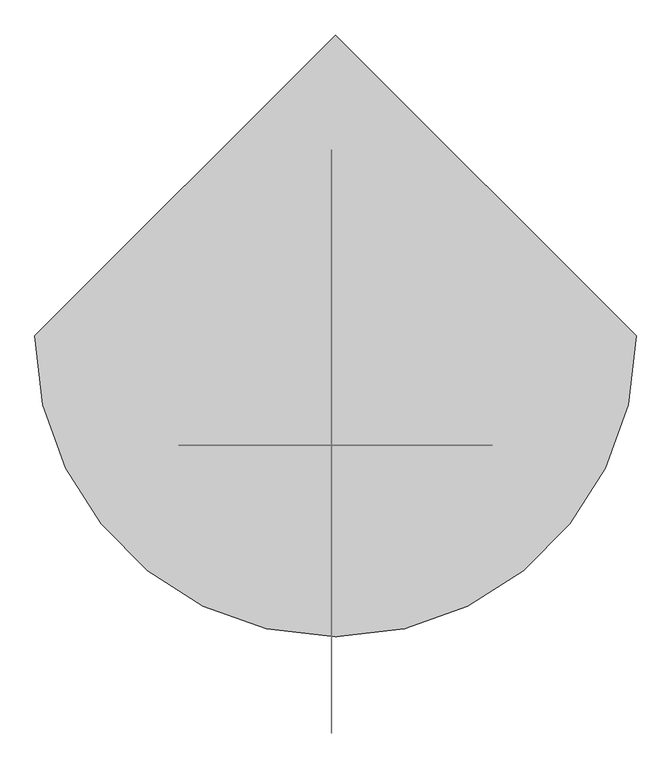
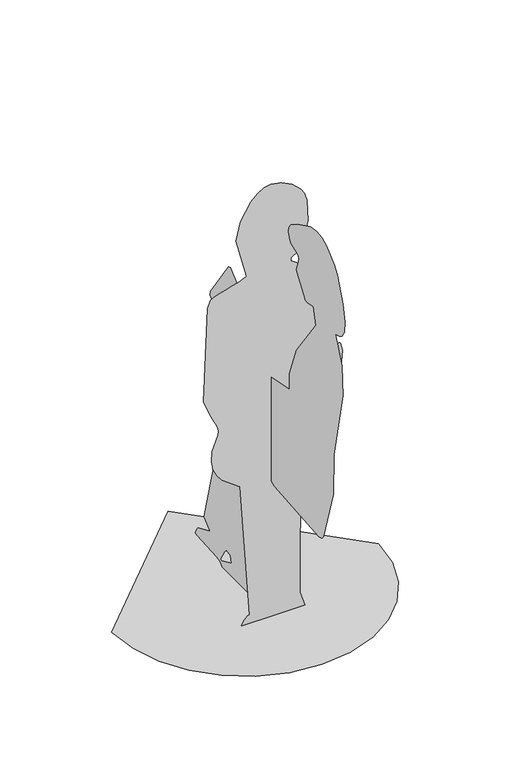
"""IFC4 building model written with IfcOpenShell, lengths in millimetres: proxy geometry."""

import ifcopenshell
import ifcopenshell.guid

model = None  # the IFC model being written
_history = None  # IfcOwnerHistory: only IFC2X3 demands one
_inside = {}  # id of a spatial element -> (the spatial element, [elements in it])
_under = {}  # id of a project, library or spatial element -> (it, [spatial elements below it])
_declared = {}  # id of a project -> (the project, [libraries it declares])
_typed = {}  # id of a type object -> (the type object, [elements of that type])
_made_of = {}  # id of a material, layer set ... -> (it, [elements and type objects made of it])


def new_model(schema):
    """Start an empty IFC model of exactly this schema.

    Asked for "IFC4X3", IfcOpenShell would pick the latest addendum, in which some entities
    have other attributes; the version numbers below select the first issue.
    IFC2X3 requires an IfcOwnerHistory on every rooted entity: one is made here for all.
    """
    global model, _history
    if schema == "IFC4X3":
        model = ifcopenshell.file(schema_version=(4, 3, 0, 0))
    else:
        model = ifcopenshell.file(schema=schema)
    _inside.clear()
    _under.clear()
    _declared.clear()
    _typed.clear()
    _made_of.clear()
    _history = None
    if model.schema == "IFC2X3":
        org = make("IfcOrganization", Name="unknown")
        user = make(
            "IfcPersonAndOrganization",
            ThePerson=make("IfcPerson", FamilyName="unknown"),
            TheOrganization=org,
        )
        app = make(
            "IfcApplication",
            ApplicationDeveloper=org,
            Version="unknown",
            ApplicationFullName="unknown",
            ApplicationIdentifier="unknown",
        )
        _history = make(
            "IfcOwnerHistory",
            OwningUser=user,
            OwningApplication=app,
            ChangeAction="ADDED",
            CreationDate=0,
        )
    return model


def make(cls, **values):
    """One entity of the class cls with the attributes given. An attribute that is None is left unset."""
    return model.create_entity(
        cls, **{name: value for name, value in values.items() if value is not None}
    )


def rooted(cls, **values):
    """An entity with a GlobalId (a new one), such as an element, a storey or a relation."""
    return make(cls, GlobalId=ifcopenshell.guid.new(), OwnerHistory=_history, **values)


def si_unit(unit_type, name, prefix=None):
    """IfcSIUnit, for example si_unit("LENGTHUNIT", "METRE", prefix="MILLI")."""
    return make("IfcSIUnit", UnitType=unit_type, Prefix=prefix, Name=name)


def assignment(units):
    """IfcUnitAssignment: the units of a project."""
    return None if units is None else make("IfcUnitAssignment", Units=units)


def point(xyz):
    """IfcCartesianPoint."""
    return None if xyz is None else make("IfcCartesianPoint", Coordinates=xyz)


def direction(xyz):
    """IfcDirection."""
    return None if xyz is None else make("IfcDirection", DirectionRatios=xyz)


def frame(location, z_axis=None, x_axis=None):
    """IfcAxis2Placement3D, a coordinate frame: its origin and axes. An axis left out is left unset."""
    return make(
        "IfcAxis2Placement3D",
        Location=point(location),
        Axis=direction(z_axis),
        RefDirection=direction(x_axis),
    )


def origin():
    """The frame at (0, 0, 0) with its axes left unset."""
    return frame((0.0, 0.0, 0.0))


def place(relative_to, where):
    """IfcLocalPlacement: puts the frame where relative to a parent placement (None: the world)."""
    return make(
        "IfcLocalPlacement", PlacementRelTo=relative_to, RelativePlacement=where
    )


def context(
    kind, dimensions, precision=None, world=None, true_north=None, identifier=None
):
    """IfcGeometricRepresentationContext, for example the 3D "Model" context."""
    return make(
        "IfcGeometricRepresentationContext",
        ContextIdentifier=identifier,
        ContextType=kind,
        CoordinateSpaceDimension=dimensions,
        Precision=precision,
        WorldCoordinateSystem=world,
        TrueNorth=true_north,
    )


def project(units=None, contexts=None):
    """IfcProject with its units and contexts."""
    return rooted(
        "IfcProject",
        Name="project",
        RepresentationContexts=contexts,
        UnitsInContext=assignment(units),
    )


def spatial(cls, under=None, at=None, **own):
    """A site, building, storey or space (cls), placed at a placement, below another one or the project."""
    s = rooted(cls, ObjectPlacement=at, **own)
    if under is not None:
        _under.setdefault(under.id(), (under, []))[1].append(s)
    return s


def point_list(points):
    """IfcCartesianPointList2D or 3D."""
    cls = (
        "IfcCartesianPointList2D" if len(points[0]) == 2 else "IfcCartesianPointList3D"
    )
    return make(cls, CoordList=points)


def triangles(points, corners, closed=None, point_numbers=None):
    """IfcTriangulatedFaceSet: each triangle names its three corners, points numbered from 1."""
    return make(
        "IfcTriangulatedFaceSet",
        Coordinates=point_list(points),
        Closed=closed,
        CoordIndex=corners,
        PnIndex=point_numbers,
    )


def shape(context_of_items, identifier, shape_type, items):
    """IfcShapeRepresentation: the items that make up one representation, for example the "Body"."""
    return make(
        "IfcShapeRepresentation",
        ContextOfItems=context_of_items,
        RepresentationIdentifier=identifier,
        RepresentationType=shape_type,
        Items=items,
    )


def source(mapping_origin, context_of_items, identifier, shape_type, items):
    """IfcRepresentationMap: a shape defined once, which mapped items show again and again."""
    return make(
        "IfcRepresentationMap",
        MappingOrigin=mapping_origin,
        MappedRepresentation=shape(context_of_items, identifier, shape_type, items),
    )


def transform(
    local_origin,
    x_axis=None,
    y_axis=None,
    z_axis=None,
    scale=None,
    scale2=None,
    scale3=None,
    uniform=True,
):
    """IfcCartesianTransformationOperator3D, or its non-uniform kind. x_axis, y_axis, z_axis: its Axis1, 2, 3."""
    if uniform:
        return make(
            "IfcCartesianTransformationOperator3D",
            Axis1=direction(x_axis),
            Axis2=direction(y_axis),
            LocalOrigin=point(local_origin),
            Scale=scale,
            Axis3=direction(z_axis),
        )
    return make(
        "IfcCartesianTransformationOperator3DnonUniform",
        Axis1=direction(x_axis),
        Axis2=direction(y_axis),
        LocalOrigin=point(local_origin),
        Scale=scale,
        Axis3=direction(z_axis),
        Scale2=scale2,
        Scale3=scale3,
    )


def mapped(mapping_source, mapping_target):
    """IfcMappedItem: shows the shape of a source again, moved by a transform."""
    return make(
        "IfcMappedItem", MappingSource=mapping_source, MappingTarget=mapping_target
    )


def made_of(thing, what):
    """Note that an element or type object is made of a material, layer set ...; save() writes the relation."""
    if what is not None:
        _made_of.setdefault(what.id(), (what, []))[1].append(thing)
    return thing


def element(
    cls,
    number,
    at=None,
    inside=None,
    cuts=None,
    type_object=None,
    material=None,
    context=None,
    identifier="Body",
    shape_type=None,
    held_by="IfcProductDefinitionShape",
    body=None,
    shapes=None,
    **own,
):
    """One element of the class cls, such as IfcWall. Its Tag is "e" and its number.

    at: its placement. inside: the storey or other place that contains it. cuts: it is an
    opening in that element (IfcRelVoidsElement). A single representation is given by context,
    identifier, shape_type and body (its items); several are given by shapes. held_by: the class
    of the entity that holds the representations. save() writes the other relations.
    """
    e = rooted(cls, Tag="e%d" % number, ObjectPlacement=at, **own)
    if body is not None:
        shapes = [shape(context, identifier, shape_type, body)]
    if shapes is not None:
        e.Representation = make(held_by, Representations=shapes)
    if inside is not None:
        _inside.setdefault(inside.id(), (inside, []))[1].append(e)
    if cuts is not None:
        rooted(
            "IfcRelVoidsElement", RelatingBuildingElement=cuts, RelatedOpeningElement=e
        )
    if type_object is not None:
        _typed.setdefault(type_object.id(), (type_object, []))[1].append(e)
    return made_of(e, material)


def aggregate(whole, parts):
    """IfcRelAggregates: a whole, such as a stair, and the parts it consists of."""
    return rooted("IfcRelAggregates", RelatingObject=whole, RelatedObjects=parts)


def save(model, path):
    """Write the relations noted so far, then the file.

    IfcRelAggregates (storeys below a building ...), IfcRelContainedInSpatialStructure (elements
    in a storey), IfcRelDefinesByType, IfcRelAssociatesMaterial and IfcRelDeclares: one each for
    every whole, place, type object, material and project.
    """
    for whole, parts in _under.values():
        aggregate(whole, parts)
    for where, things in _inside.values():
        rooted(
            "IfcRelContainedInSpatialStructure",
            RelatedElements=things,
            RelatingStructure=where,
        )
    for kind, things in _typed.values():
        rooted("IfcRelDefinesByType", RelatedObjects=things, RelatingType=kind)
    for what, things in _made_of.values():
        rooted("IfcRelAssociatesMaterial", RelatedObjects=things, RelatingMaterial=what)
    for by, libraries in _declared.values():
        rooted("IfcRelDeclares", RelatingContext=by, RelatedDefinitions=libraries)
    model.write(path)


def entourage_e5f04239(model_context):
    return source(origin(), model_context, "Body", "Tessellation", [
        triangles([(-437.3057565, 0.0, 2.93e-05), (-425.7448342, -100.2015691, 2.93e-05), (-392.8194094, -192.2206799, 2.93e-05), (-341.1658762, -273.4208834, 2.93e-05), (-273.4209015, -341.1659489, 2.93e-05), (-192.2206254, -392.819373, 2.93e-05), (-100.2015237, -425.7447979, 2.93e-05), (1.91e-05, -437.3057565, 2.93e-05), (100.2015782, -425.7448342, 2.93e-05), (192.220698, -392.8194094, 2.93e-05), (273.4209015, -341.1658762, 2.93e-05), (341.1660215, -273.4209015, 2.93e-05), (392.819373, -192.2206072, 2.93e-05), (425.7447979, -100.2014965, 2.93e-05), (437.3057565, 3.36e-05, 2.93e-05), (-5.73e-05, 437.3057928, 2.93e-05), (-5.5814555, 72.246871, 69.496344), (-5.5814561, 67.031142, 46.0256608), (-5.5814583, 124.4039254, 19.9471336), (-5.5814583, 129.6196318, 25.1628196), (-5.5814566, 107.6002273, 62.2269385), (-5.5814561, 95.7175496, 74.7120321), (-5.5814561, -28.6037069, 4.4e-06), (-5.5814555, -39.8908654, 35.5942482), (-5.5814555, -42.4985551, 37.2668205), (-5.5814544, -45.6385706, 39.1828009), (-5.5814544, -48.9915363, 41.1595652), (-5.5814544, -52.2381223, 43.0148345), (-5.5814544, -55.0589122, 44.56573), (-5.5814544, -57.1346076, 45.6302408), (-5.5814544, -58.1458059, 46.0256654), (-5.5814555, -58.1458876, 5.3e-06), (-5.5814555, -108.9534241, 6.8e-06), (-5.5814544, -116.5758149, 29.8220214), (-5.5814504, -109.3236867, 163.616957), (-5.5814413, -45.457159, 488.7457126), (-5.5814407, -47.714434, 510.223653), (-5.5814407, -52.9301222, 512.8314517), (-5.5814407, -176.6935208, 461.1352976), (-5.5814373, -431.0100652, 441.4516517), (-5.5814373, -446.7160832, 445.0273055), (-5.5814368, -456.1585665, 455.8251566), (-5.58143, -511.6809405, 636.0529638), (-5.581426, -514.5203021, 776.2247131), (-5.5814186, -566.7671494, 1012.4528812), (-5.5814158, -561.4616592, 1112.6378271), (-5.5814129, -522.3438071, 1198.6970364), (-5.5814129, -544.7658397, 1204.5966036), (-5.5814118, -561.2097487, 1214.9815075), (-5.5814118, -573.9143148, 1236.2570984), (-5.5814101, -577.4586843, 1272.8740494), (-5.5814084, -566.4219306, 1329.2825249), (-5.5814067, -535.3830912, 1409.9332706), (-5.5814067, -516.7872059, 1433.7636475), (-5.5814055, -472.5754423, 1474.3204742), (-5.5814055, -445.9832065, 1486.7813416), (-5.5814067, -415.7490417, 1491.1880493), (-5.5814067, -381.3846422, 1485.4068615), (-5.5814084, -308.1102631, 1450.1703495), (-5.5814101, -271.6907746, 1426.3735462), (-5.5814107, -259.9822778, 1410.5514015), (-5.5814118, -256.5008769, 1391.3528641), (-5.5814118, -264.1662884, 1368.2074745), (-5.5814118, -270.5525991, 1361.5164585), (-5.5814118, -307.4893707, 1345.9730759), (-5.5814118, -313.6895373, 1341.0963387), (-5.5814118, -316.3233519, 1334.3053288), (-5.5814129, -314.5104538, 1321.5896805), (-5.5814141, -303.2841405, 1289.971843), (-5.5814141, -303.9328654, 1281.3184467), (-5.5814146, -344.8551496, 1227.4567635), (-5.5814158, -350.2254976, 1216.9519541), (-5.5814158, -354.0100413, 1213.137216), (-5.5814158, -360.9104559, 1211.8311184), (-5.5814146, -397.1668911, 1216.9519541), (-5.5814158, -412.8139375, 1162.1870556), (-5.581422, -300.7217424, 1007.464959), (-5.581426, -262.9222146, 903.7019611), (-5.5814277, -261.5584715, 849.2446747), (-5.58143, -151.2454102, 828.1022152), (-5.58143, -131.1657765, 828.3817766), (-5.5814288, -146.9133073, 873.4847649), (-5.5814288, -146.8129046, 875.3230974), (-5.5814288, -136.5283852, 880.5989382), (-5.581426, 66.2908528, 1062.7618744), (-5.581426, 72.9541861, 1068.1172161), (-5.5814266, 85.3175848, 1063.7719145), (-5.5814322, 186.9119923, 916.7356859), (-5.5814328, 189.6002729, 904.0095005), (-5.5814339, 74.8547106, 802.3032812), (-5.5814345, 53.5231683, 768.5290346), (-5.5814345, 40.9526102, 757.9697954), (-5.5814345, 7.0502408, 750.1462177), (-5.5814362, -30.7395663, 681.3427139), (-5.5814362, -32.0672787, 677.1262562), (-5.5814368, -2.7970168, 673.1418337), (-5.5814379, 74.8547106, 666.6947708), (-5.5814566, 223.5023279, 113.8298615), (-5.5814572, 192.3027606, 86.4272282), (-5.5814572, 189.6002729, 82.5355962), (-5.5814595, 257.4045281, 53.849234), (-5.5814595, 261.0572667, 50.6335418), (-5.5814595, 266.9932234, 41.9573409), (-5.58146, 270.4022813, 33.1798288), (-5.58146, 270.8965462, 29.8373185), (-5.58146, 270.443685, 27.7706614), (-5.58146, 262.21192, 24.6723971), (-5.5814583, 148.3989361, 17.7234776), (-5.5814583, 129.6196318, 12.1235594), (-5.5814583, 119.2279423, 0.0), (-103.2161017, -158.8625416, 3.138314), (-93.5649194, -158.8625416, 19.242982), (-88.6211895, -158.8625416, 24.4594286), (-82.9717796, -158.8625416, 28.4095146), (-76.7113605, -158.8625416, 30.3784918), (-108.0056168, -158.8625779, 484.1449396), (-166.5178156, -158.8625779, 527.9969504), (-183.6322324, -158.8625779, 549.73316), (-196.1559229, -158.8625779, 575.232294), (-202.0512208, -158.8625779, 604.6166196), (-199.2805142, -158.8625779, 638.0082951), (-180.7337175, -158.8625779, 688.9249546), (-179.5104455, -158.8625779, 700.1737593), (-181.025542, -158.8625779, 711.0281839), (-186.0298695, -158.8625779, 724.8027792), (-192.7431225, -158.8625779, 739.7135696), (-208.5562016, -158.8625779, 771.7149593), (-227.9668809, -158.8625779, 820.5580536), (-215.5926726, -158.8626143, 1139.7189503), (-204.4961842, -158.8626143, 1164.7947453), (-195.70417, -158.8626143, 1170.2244284), (-178.399812, -158.8626143, 1176.5899555), (-156.0960135, -158.8626143, 1183.4364126), (-132.3055416, -158.8626143, 1190.3077229), (-110.5413086, -158.8626143, 1196.7492628), (-94.3160908, -158.8626143, 1202.3054644), (-87.1427823, -158.8626143, 1206.520396), (-121.0448735, -158.8626143, 1339.5209988), (-105.9598205, -158.8626324, 1402.4766037), (-72.2006347, -158.8626324, 1459.392897), (-51.1398926, -158.8626324, 1480.6086079), (-28.7965572, -158.8626324, 1494.3413452), (-6.2993123, -158.8626324, 1498.5999516), (28.3785935, -158.8626324, 1491.3003971), (62.9443729, -158.8626324, 1473.3395748), (92.2084342, -158.8626324, 1445.5309525), (103.2305721, -158.8626324, 1428.1879704), (112.1216355, -158.8626324, 1400.9896305), (114.2135136, -158.8626143, 1329.2264236), (96.1614451, -158.8626143, 1258.9092041), (79.8725593, -158.8626143, 1233.5183121), (58.89705, -158.8626143, 1219.5597164), (58.89705, -158.8626143, 1209.128231), (105.4402574, -158.8626143, 1177.1569994), (186.6818646, -158.8626143, 1146.5396822), (190.9101676, -158.8626143, 1130.2527403), (197.4604945, -158.8625961, 874.5614433), (217.1152177, -158.8625961, 870.6124111), (219.4354431, -158.8625961, 869.5266489), (221.3548754, -158.8625961, 866.986179), (227.9668991, -158.8625779, 839.7665468), (217.9761209, -158.8625779, 726.675412), (216.778683, -158.8625779, 725.536964), (198.418848, -158.8625779, 721.3532078), (197.1132955, -158.8625779, 721.4596693), (188.2934486, -158.8625779, 736.0850121), (176.2504519, -158.8625779, 750.1460724), (172.5434834, -158.8625779, 744.3784012), (169.4576071, -158.8625779, 737.6237263), (166.7654749, -158.8625779, 730.2867468), (164.2397206, -158.8625779, 722.7717985), (161.6530689, -158.8625779, 715.4834352), (158.7781536, -158.8625779, 708.8262835), (155.3876265, -158.8625779, 703.2046789), (164.598783, -158.8625779, 582.3864721), (159.7288041, -158.8625779, 557.993666), (150.1719383, -158.8625779, 536.3020758), (143.4521541, -158.8625779, 528.6086137), (105.433708, -158.8625779, 509.5447337), (96.8765541, -158.8625779, 503.2554737), (90.1912608, -158.8625779, 494.5763523), (88.7455914, -158.8625416, 49.4103652), (105.4366057, -158.8625416, 7.4e-05), (-104.3910027, -158.8625416, 7.4e-05)], [[15, 16, 1], [14, 15, 1], [14, 1, 2], [13, 14, 2], [13, 2, 3], [13, 3, 4], [12, 13, 4], [11, 12, 4], [11, 4, 5], [11, 5, 6], [11, 6, 7], [11, 7, 8], [11, 8, 9], [11, 9, 10], [23, 17, 18], [110, 23, 18], [110, 18, 19], [109, 110, 19], [17, 23, 24], [31, 32, 33], [31, 33, 34], [109, 19, 20], [108, 109, 20], [88, 89, 90], [82, 83, 84], [85, 86, 87], [105, 106, 107], [104, 105, 107], [103, 104, 107], [102, 103, 107], [101, 102, 107], [100, 101, 107], [100, 107, 108], [100, 108, 20], [100, 20, 21], [100, 21, 22], [87, 88, 90], [85, 87, 90], [84, 85, 90], [84, 90, 91], [84, 91, 92], [84, 92, 93], [82, 84, 93], [81, 82, 93], [81, 93, 94], [80, 81, 94], [80, 94, 95], [99, 100, 22], [17, 24, 25], [17, 25, 26], [31, 34, 35], [30, 31, 35], [17, 26, 27], [17, 27, 28], [17, 28, 29], [29, 30, 35], [17, 29, 35], [22, 17, 35], [99, 22, 35], [98, 99, 35], [97, 98, 35], [97, 35, 36], [97, 36, 37], [96, 97, 37], [96, 37, 38], [95, 96, 38], [80, 95, 38], [80, 38, 39], [79, 80, 39], [79, 39, 40], [79, 40, 41], [79, 41, 42], [79, 42, 43], [79, 43, 44], [78, 79, 44], [77, 78, 44], [77, 44, 45], [77, 45, 46], [76, 77, 46], [76, 46, 47], [75, 76, 47], [72, 73, 74], [71, 72, 74], [61, 62, 63], [60, 61, 63], [60, 63, 64], [59, 60, 64], [59, 64, 65], [59, 65, 66], [58, 59, 66], [57, 58, 66], [56, 57, 66], [55, 56, 66], [54, 55, 66], [54, 66, 67], [53, 54, 67], [52, 53, 67], [52, 67, 68], [51, 52, 68], [50, 51, 68], [49, 50, 68], [48, 49, 68], [47, 48, 68], [75, 47, 68], [74, 75, 68], [71, 74, 68], [70, 71, 68], [69, 70, 68], [183, 184, 111], [183, 111, 112], [183, 112, 113], [183, 113, 114], [183, 114, 115], [182, 183, 115], [181, 182, 115], [181, 115, 116], [154, 155, 156], [164, 165, 166], [180, 181, 116], [163, 164, 166], [162, 163, 166], [162, 166, 167], [161, 162, 167], [160, 161, 167], [159, 160, 167], [158, 159, 167], [157, 158, 167], [180, 116, 117], [180, 117, 118], [180, 118, 119], [180, 119, 120], [180, 120, 121], [180, 121, 122], [179, 180, 122], [179, 122, 123], [178, 179, 123], [177, 178, 123], [176, 177, 123], [175, 176, 123], [174, 175, 123], [174, 123, 124], [174, 124, 125], [173, 174, 125], [172, 173, 125], [171, 172, 125], [170, 171, 125], [169, 170, 125], [169, 125, 126], [168, 169, 126], [168, 126, 127], [167, 168, 127], [157, 167, 127], [157, 127, 128], [156, 157, 128], [154, 156, 128], [153, 154, 128], [153, 128, 129], [153, 129, 130], [153, 130, 131], [153, 131, 132], [153, 132, 133], [153, 133, 134], [153, 134, 135], [153, 135, 136], [153, 136, 137], [152, 153, 137], [151, 152, 137], [150, 151, 137], [149, 150, 137], [149, 137, 138], [149, 138, 139], [148, 149, 139], [147, 148, 139], [146, 147, 139], [146, 139, 140], [145, 146, 140], [145, 140, 141], [144, 145, 141], [144, 141, 142], [144, 142, 143]], closed=False),
    ])


if __name__ == "__main__":
    model = new_model("IFC4")
    model_context = context("Model", 3, world=origin())
    ifc_project = project(units=[si_unit("LENGTHUNIT", "METRE", prefix="MILLI")], contexts=[model_context])
    site = spatial("IfcSite", under=ifc_project)
    building = spatial("IfcBuilding", under=site)
    placement = place(None, origin())
    entourage_shape = entourage_e5f04239(model_context)
    element("IfcBuildingElementProxy", 1, Name="Entourage", at=placement, inside=building, context=model_context, shape_type="MappedRepresentation", body=[
        mapped(entourage_shape, transform((0.0, 0.0, 0.0), x_axis=(1.0, 0.0, 0.0), y_axis=(0.0, 1.0, 0.0), z_axis=(0.0, 0.0, 1.0))),
    ])
    save(model, "model.ifc")
